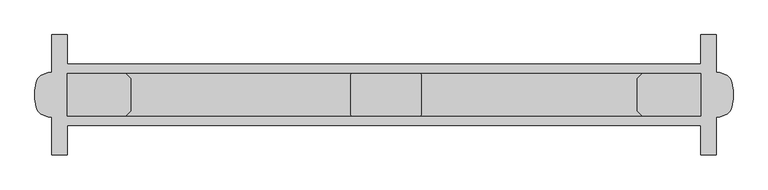
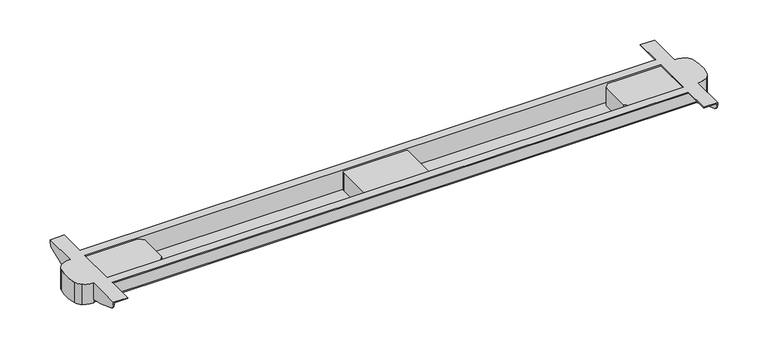
"""IFC4 building model written with IfcOpenShell, lengths in millimetres: furniture geometry."""

from ifc_helpers import new_model, si_unit, point, frame, frame_2d, origin, place, context, project, spatial, polyline, circle_curve, trimmed, segment, composite_curve, outline, extrude, source, transform, mapped, element, save
from ifc_brep_helpers import plane_surface, cylinder_surface, advanced_brep


def furniture_fb348213(model_context):
    return source(origin(), model_context, "Body", "SolidModel", [
        advanced_brep(
        [(85.0, -480.0, 637.0), (58.2763436, -471.7002018, 637.0), (46.6942682, -454.9980486, 637.0), (46.6942682, -395.0019514, 637.0), (58.2763436, -378.2997982, 637.0), (85.0, -370.0, 637.0), (85.0, -376.0, 637.0), (1715.0, -376.0, 637.0), (1715.0, -370.0, 637.0), (1741.7236564, -378.2997982, 637.0), (1753.3057318, -395.0019514, 637.0), (1753.3057318, -454.9980486, 637.0), (1741.7236564, -471.7002018, 637.0), (1715.0, -480.0, 637.0), (1715.0, -474.0, 637.0), (85.0, -474.0, 637.0), (85.0, -370.0, 643.0), (85.0, -480.0, 643.0), (85.0, -373.0, 647.0), (85.0, -477.0, 647.0), (85.0, -477.0, 640.0), (85.0, -373.0, 640.0), (58.2763436, -378.2997982, 695.0), (85.0, -370.0, 695.0), (85.0, -370.0, 692.0), (85.0, -370.0, 647.0), (46.6942682, -395.0019514, 695.0), (46.6942682, -454.9980486, 695.0), (58.2763436, -471.7002018, 695.0), (85.0, -480.0, 695.0), (84.9091785, -480.0, 647.0), (85.0, -480.0, 692.0), (1741.7236564, -471.7002018, 695.0), (1715.0, -480.0, 695.0), (1715.0, -480.0, 692.0), (1715.0, -480.0, 647.0), (1715.0000004, -480.0, 643.0), (1753.3057318, -454.9980486, 695.0), (1753.3057318, -395.0019514, 695.0), (1741.7236564, -378.2997982, 695.0), (1715.0, -370.0, 695.0), (1715.0, -370.0, 643.0), (1715.0908215, -370.0, 647.0), (1715.0, -370.0, 692.0), (1715.0, -477.0, 647.0), (1715.0, -373.0, 647.0), (1715.0, -373.0, 640.0), (1715.0, -477.0, 640.0), (123.0, -349.5, 695.0), (1677.0, -349.5, 695.0), (1677.0, -349.5, 693.0), (1713.0, -349.5, 693.0), (1713.0, -349.5, 692.0), (87.0, -349.5, 692.0), (87.0, -349.5, 693.0), (123.0, -349.5, 693.0), (1713.0, -373.0, 647.0), (1713.0, -373.0, 693.0), (1677.0, -373.0, 693.0), (1677.0, -373.0, 695.0), (123.0, -373.0, 695.0), (123.0, -373.0, 693.0), (87.0, -373.0, 693.0), (87.0, -373.0, 647.0), (87.0, -477.0, 647.0), (87.0, -477.0, 693.0), (123.0, -477.0, 693.0), (123.0, -477.0, 695.0), (1677.0, -477.0, 695.0), (1677.0, -477.0, 693.0), (1713.0, -477.0, 693.0), (1713.0, -477.0, 647.0), (1677.0, -500.5, 695.0), (123.0, -500.5, 695.0), (123.0, -500.5, 693.0), (87.0, -500.5, 693.0), (87.0, -500.5, 692.0), (1713.0, -500.5, 692.0), (1713.0, -500.5, 693.0), (1677.0, -500.5, 693.0), (87.0, -480.0, 692.0), (1713.0, -480.0, 692.0), (1713.0, -480.0, 647.0), (87.0, -480.0, 647.0), (87.0, -370.0, 647.0), (87.0, -370.0, 692.0), (1713.0, -370.0, 692.0), (1713.0, -370.0, 647.0), (87.0, -572.5, 693.0), (123.0, -572.5, 693.0), (123.0, -572.5, 695.0), (85.0, -572.5, 695.0), (85.0, -572.5, 690.0), (87.0, -572.5, 690.0), (1715.0, -572.5, 695.0), (1677.0, -572.5, 695.0), (1677.0, -572.5, 693.0), (1713.0, -572.5, 693.0), (1713.0, -572.5, 690.0), (1715.0, -572.5, 690.0), (85.0, -277.5, 695.0), (123.0, -277.5, 695.0), (123.0, -277.5, 693.0), (87.0, -277.5, 693.0), (87.0, -277.5, 690.0), (85.0, -277.5, 690.0), (1713.0, -277.5, 693.0), (1677.0, -277.5, 693.0), (1677.0, -277.5, 695.0), (1715.0, -277.5, 695.0), (1715.0, -277.5, 690.0), (1713.0, -277.5, 690.0), (85.0, -482.2931901, 647.0), (85.0, -511.9736338, 654.4919759), (85.0, -561.3994142, 672.1446048), (85.0, -288.6005858, 672.1446048), (85.0, -338.0263662, 654.4919759), (85.0, -367.7068099, 647.0), (87.0, -367.7068099, 647.0), (87.0, -482.2931901, 647.0), (87.0, -561.3994142, 672.1446048), (87.0, -511.9736338, 654.4919759), (87.0, -338.0263662, 654.4919759), (87.0, -288.6005858, 672.1446048), (1713.0, -482.2931901, 647.0), (1713.0, -511.9736338, 654.4919759), (1713.0, -561.3994142, 672.1446048), (1713.0, -288.6005858, 672.1446048), (1713.0, -338.0263662, 654.4919759), (1713.0, -367.7068099, 647.0), (1715.0, -367.7068099, 647.0), (1715.0, -482.2931901, 647.0), (1715.0, -338.0263662, 654.4919759), (1715.0, -288.6005858, 672.1446048), (1715.0, -561.3994142, 672.1446048), (1715.0, -511.9736338, 654.4919759)],
        [
            (0, 1, circle_curve(frame((84.9545892, -432.9739542, 637.0), z_axis=(0.0, 0.0, -1.0), x_axis=(1.0, 0.0, 0.0)), 47.0260677)),
            (1, 2, circle_curve(frame((74.5881069, -448.0219812, 637.0), z_axis=(0.0, 0.0, -1.0), x_axis=(1.0, 0.0, 0.0)), 28.7529434)),
            (2, 3, circle_curve(frame((166.6416094, -425.0, 637.0), z_axis=(0.0, 0.0, -1.0), x_axis=(1.0, 0.0, 0.0)), 123.6416094)),
            (3, 4, circle_curve(frame((74.5881069, -401.9780188, 637.0), z_axis=(0.0, 0.0, -1.0), x_axis=(1.0, 0.0, 0.0)), 28.7529434)),
            (4, 5, circle_curve(frame((84.9545892, -417.0260458, 637.0), z_axis=(0.0, 0.0, -1.0), x_axis=(1.0, 0.0, 0.0)), 47.0260677)),
            (5, 6),
            (6, 7),
            (7, 8),
            (8, 9, circle_curve(frame((1715.0454108, -417.0260458, 637.0), z_axis=(0.0, 0.0, -1.0), x_axis=(1.0, 0.0, 0.0)), 47.0260677)),
            (9, 10, circle_curve(frame((1725.4118931, -401.9780188, 637.0), z_axis=(0.0, 0.0, -1.0), x_axis=(1.0, 0.0, 0.0)), 28.7529434)),
            (10, 11, circle_curve(frame((1633.3583906, -425.0, 637.0), z_axis=(0.0, 0.0, -1.0), x_axis=(1.0, 0.0, 0.0)), 123.6416094)),
            (11, 12, circle_curve(frame((1725.4118931, -448.0219812, 637.0), z_axis=(0.0, 0.0, -1.0), x_axis=(1.0, 0.0, 0.0)), 28.7529434)),
            (12, 13, circle_curve(frame((1715.0454108, -432.9739542, 637.0), z_axis=(0.0, 0.0, -1.0), x_axis=(1.0, 0.0, 0.0)), 47.0260677)),
            (13, 14),
            (14, 15),
            (15, 0),
            (5, 16),
            (16, 6, circle_curve(frame((85.0, -376.0, 643.0), z_axis=(-1.0, 0.0, 0.0), x_axis=(0.0, 1.0, 0.0)), 6.0)),
            (15, 17, circle_curve(frame((85.0, -474.0, 643.0), z_axis=(-1.0, 0.0, 0.0), x_axis=(0.0, 1.0, 0.0)), 6.0)),
            (17, 0),
            (18, 19),
            (19, 20),
            (20, 21),
            (21, 18),
            (22, 23, circle_curve(frame((84.9545892, -417.0260458, 695.0), z_axis=(0.0, 0.0, -1.0), x_axis=(1.0, 0.0, 0.0)), 47.0260677)),
            (23, 24),
            (24, 25),
            (25, 16),
            (4, 22),
            (26, 22, circle_curve(frame((74.5881069, -401.9780188, 695.0), z_axis=(0.0, 0.0, -1.0), x_axis=(1.0, 0.0, 0.0)), 28.7529434)),
            (3, 26),
            (27, 26, circle_curve(frame((166.6416094, -425.0, 695.0), z_axis=(0.0, 0.0, -1.0), x_axis=(1.0, 0.0, 0.0)), 123.6416094)),
            (2, 27),
            (28, 27, circle_curve(frame((74.5881069, -448.0219812, 695.0), z_axis=(0.0, 0.0, -1.0), x_axis=(1.0, 0.0, 0.0)), 28.7529434)),
            (1, 28),
            (29, 28, circle_curve(frame((84.9545892, -432.9739542, 695.0), z_axis=(0.0, 0.0, -1.0), x_axis=(1.0, 0.0, 0.0)), 47.0260677)),
            (17, 30),
            (30, 31),
            (31, 29),
            (32, 33, circle_curve(frame((1715.0454108, -432.9739542, 695.0), z_axis=(0.0, 0.0, -1.0), x_axis=(1.0, 0.0, 0.0)), 47.0260677)),
            (33, 34),
            (34, 35),
            (35, 36),
            (36, 13),
            (12, 32),
            (37, 32, circle_curve(frame((1725.4118931, -448.0219812, 695.0), z_axis=(0.0, 0.0, -1.0), x_axis=(1.0, 0.0, 0.0)), 28.7529434)),
            (11, 37),
            (38, 37, circle_curve(frame((1633.3583906, -425.0, 695.0), z_axis=(0.0, 0.0, -1.0), x_axis=(1.0, 0.0, 0.0)), 123.6416094)),
            (10, 38),
            (39, 38, circle_curve(frame((1725.4118931, -401.9780188, 695.0), z_axis=(0.0, 0.0, -1.0), x_axis=(1.0, 0.0, 0.0)), 28.7529434)),
            (9, 39),
            (40, 39, circle_curve(frame((1715.0454108, -417.0260458, 695.0), z_axis=(0.0, 0.0, -1.0), x_axis=(1.0, 0.0, 0.0)), 47.0260677)),
            (8, 41),
            (41, 42),
            (42, 43),
            (43, 40),
            (7, 41, circle_curve(frame((1715.0, -376.0, 643.0), z_axis=(1.0, 0.0, 0.0), x_axis=(0.0, 1.0, 0.0)), 6.0)),
            (36, 14, circle_curve(frame((1715.0, -474.0, 643.0), z_axis=(1.0, 0.0, 0.0), x_axis=(0.0, 1.0, 0.0)), 6.0)),
            (44, 45),
            (45, 46),
            (46, 47),
            (47, 44),
            (48, 49),
            (49, 50),
            (50, 51),
            (51, 52),
            (52, 53),
            (53, 54),
            (54, 55),
            (55, 48),
            (21, 46),
            (45, 56),
            (56, 57),
            (57, 58),
            (58, 59),
            (59, 60),
            (60, 61),
            (61, 62),
            (62, 63),
            (63, 18),
            (20, 47),
            (19, 64),
            (64, 65),
            (65, 66),
            (66, 67),
            (67, 68),
            (68, 69),
            (69, 70),
            (70, 71),
            (71, 44),
            (72, 73),
            (73, 74),
            (74, 75),
            (75, 76),
            (76, 77),
            (77, 78),
            (78, 79),
            (79, 72),
            (76, 80),
            (80, 81),
            (81, 77),
            (17, 36),
            (35, 82),
            (82, 81),
            (80, 83),
            (83, 30),
            (16, 41),
            (25, 84),
            (84, 85),
            (85, 86),
            (86, 87),
            (87, 42),
            (52, 86),
            (85, 53),
            (88, 89),
            (89, 90),
            (90, 91),
            (91, 92),
            (92, 93),
            (93, 88),
            (94, 95),
            (95, 96),
            (96, 97),
            (97, 98),
            (98, 99),
            (99, 94),
            (100, 101),
            (101, 102),
            (102, 103),
            (103, 104),
            (104, 105),
            (105, 100),
            (106, 107),
            (107, 108),
            (108, 109),
            (109, 110),
            (110, 111),
            (111, 106),
            (91, 29),
            (30, 112),
            (112, 113),
            (113, 114, circle_curve(frame((85.0, -444.8144565, 920.5518532), z_axis=(-1.0, 0.0, 0.0), x_axis=(0.0, 1.0, 0.0)), 274.4051993)),
            (114, 92, circle_curve(frame((85.0, -552.5894227, 690.0), z_axis=(-1.0, 0.0, 0.0), x_axis=(0.0, 1.0, 0.0)), 19.9105773)),
            (23, 100),
            (105, 115, circle_curve(frame((85.0, -297.4105773, 690.0), z_axis=(-1.0, 0.0, 0.0), x_axis=(0.0, 1.0, 0.0)), 19.9105773)),
            (115, 116, circle_curve(frame((85.0, -405.1855435, 920.5518532), z_axis=(-1.0, 0.0, 0.0), x_axis=(0.0, 1.0, 0.0)), 274.4051993)),
            (116, 117),
            (117, 25),
            (63, 64),
            (117, 118),
            (118, 84),
            (119, 112),
            (83, 119),
            (93, 120, circle_curve(frame((87.0, -552.5894227, 690.0), z_axis=(1.0, 0.0, 0.0), x_axis=(0.0, 1.0, 0.0)), 19.9105773)),
            (120, 121, circle_curve(frame((87.0, -444.8144565, 920.5518532), z_axis=(1.0, 0.0, 0.0), x_axis=(0.0, 1.0, 0.0)), 274.4051993)),
            (121, 119),
            (75, 88),
            (103, 54),
            (118, 122),
            (122, 123, circle_curve(frame((87.0, -405.1855435, 920.5518532), z_axis=(1.0, 0.0, 0.0), x_axis=(0.0, 1.0, 0.0)), 274.4051993)),
            (123, 104, circle_curve(frame((87.0, -297.4105773, 690.0), z_axis=(1.0, 0.0, 0.0), x_axis=(0.0, 1.0, 0.0)), 19.9105773)),
            (62, 65),
            (74, 89),
            (102, 55),
            (61, 66),
            (73, 90),
            (101, 48),
            (60, 67),
            (72, 95),
            (94, 33),
            (40, 109),
            (108, 49),
            (59, 68),
            (79, 96),
            (107, 50),
            (58, 69),
            (78, 97),
            (106, 51),
            (57, 70),
            (82, 124),
            (124, 125),
            (125, 126, circle_curve(frame((1713.0, -444.8144565, 920.5518532), z_axis=(-1.0, 0.0, 0.0), x_axis=(0.0, 1.0, 0.0)), 274.4051993)),
            (126, 98, circle_curve(frame((1713.0, -552.5894227, 690.0), z_axis=(-1.0, 0.0, 0.0), x_axis=(0.0, 1.0, 0.0)), 19.9105773)),
            (111, 127, circle_curve(frame((1713.0, -297.4105773, 690.0), z_axis=(-1.0, 0.0, 0.0), x_axis=(0.0, 1.0, 0.0)), 19.9105773)),
            (127, 128, circle_curve(frame((1713.0, -405.1855435, 920.5518532), z_axis=(-1.0, 0.0, 0.0), x_axis=(0.0, 1.0, 0.0)), 274.4051993)),
            (128, 129),
            (129, 87),
            (56, 71),
            (129, 130),
            (130, 42),
            (131, 124),
            (35, 131),
            (130, 132),
            (132, 133, circle_curve(frame((1715.0, -405.1855435, 920.5518532), z_axis=(1.0, 0.0, 0.0), x_axis=(0.0, 1.0, 0.0)), 274.4051993)),
            (133, 110, circle_curve(frame((1715.0, -297.4105773, 690.0), z_axis=(1.0, 0.0, 0.0), x_axis=(0.0, 1.0, 0.0)), 19.9105773)),
            (99, 134, circle_curve(frame((1715.0, -552.5894227, 690.0), z_axis=(1.0, 0.0, 0.0), x_axis=(0.0, 1.0, 0.0)), 19.9105773)),
            (134, 135, circle_curve(frame((1715.0, -444.8144565, 920.5518532), z_axis=(1.0, 0.0, 0.0), x_axis=(0.0, 1.0, 0.0)), 274.4051993)),
            (135, 131),
            (115, 123),
            (122, 116),
            (127, 133),
            (132, 128),
            (121, 113),
            (135, 125),
            (120, 114),
            (134, 126),
        ],
        [
            plane_surface(frame((85.0, -370.0, 637.0), z_axis=(0.0, 0.0, -1.0), x_axis=(0.0, -1.0, 0.0))),
            plane_surface(frame((85.0, -480.0, 695.0), z_axis=(1.0, 0.0, 0.0), x_axis=(0.0, 0.0, -1.0))),
            cylinder_surface(frame((84.9545892, -417.0260458, 637.0), z_axis=(0.0, 0.0, 1.0), x_axis=(1.0, 0.0, 0.0)), 47.0260677),
            cylinder_surface(frame((74.5881069, -401.9780188, 637.0), z_axis=(0.0, 0.0, 1.0), x_axis=(1.0, 0.0, 0.0)), 28.7529434),
            cylinder_surface(frame((166.6416094, -425.0, 637.0), z_axis=(0.0, 0.0, 1.0), x_axis=(1.0, 0.0, 0.0)), 123.6416094),
            cylinder_surface(frame((74.5881069, -448.0219812, 637.0), z_axis=(0.0, 0.0, 1.0), x_axis=(1.0, 0.0, 0.0)), 28.7529434),
            cylinder_surface(frame((84.9545892, -432.9739542, 637.0), z_axis=(0.0, 0.0, 1.0), x_axis=(1.0, 0.0, 0.0)), 47.0260677),
            cylinder_surface(frame((1715.0454108, -432.9739542, 0.0), z_axis=(0.0, 0.0, 1.0), x_axis=(1.0, 0.0, 0.0)), 47.0260677),
            cylinder_surface(frame((1725.4118931, -448.0219812, 0.0), z_axis=(0.0, 0.0, 1.0), x_axis=(1.0, 0.0, 0.0)), 28.7529434),
            cylinder_surface(frame((1633.3583906, -425.0, 0.0), z_axis=(0.0, 0.0, 1.0), x_axis=(1.0, 0.0, 0.0)), 123.6416094),
            cylinder_surface(frame((1725.4118931, -401.9780188, 0.0), z_axis=(0.0, 0.0, 1.0), x_axis=(1.0, 0.0, 0.0)), 28.7529434),
            cylinder_surface(frame((1715.0454108, -417.0260458, 0.0), z_axis=(0.0, 0.0, 1.0), x_axis=(1.0, 0.0, 0.0)), 47.0260677),
            plane_surface(frame((1715.0, -370.0, 695.0), z_axis=(-1.0, 0.0, 0.0), x_axis=(0.0, 0.0, -1.0))),
            plane_surface(frame((1715.0, -349.5, 692.0), z_axis=(0.0, 1.0, 0.0), x_axis=(-1.0, 0.0, 0.0))),
            plane_surface(frame((1715.0, -373.0, 695.0), z_axis=(0.0, -1.0, 0.0), x_axis=(-1.0, 0.0, 0.0))),
            plane_surface(frame((1715.0, -373.0, 640.0), z_axis=(0.0, 0.0, 1.0), x_axis=(-1.0, 0.0, 0.0))),
            plane_surface(frame((1715.0, -477.0, 640.0), z_axis=(0.0, 1.0, 0.0), x_axis=(-1.0, 0.0, 0.0))),
            plane_surface(frame((1715.0, -500.5, 695.0), z_axis=(0.0, -1.0, 0.0), x_axis=(-1.0, 0.0, 0.0))),
            plane_surface(frame((1715.0, -500.5, 692.0), z_axis=(0.0, 0.0, -1.0), x_axis=(-1.0, 0.0, 0.0))),
            plane_surface(frame((1715.0, -480.0, 692.0), z_axis=(0.0, -1.0, 0.0), x_axis=(-1.0, 0.0, 0.0))),
            cylinder_surface(frame((85.0, -474.0, 643.0), z_axis=(1.0, 0.0, 0.0), x_axis=(0.0, 1.0, 0.0)), 6.0),
            cylinder_surface(frame((85.0, -376.0, 643.0), z_axis=(1.0, 0.0, 0.0), x_axis=(0.0, 1.0, 0.0)), 6.0),
            plane_surface(frame((1715.0, -370.0, 643.0), z_axis=(0.0, 1.0, 0.0), x_axis=(-1.0, 0.0, 0.0))),
            plane_surface(frame((1715.0, -370.0, 692.0), z_axis=(0.0, 0.0, -1.0), x_axis=(-1.0, 0.0, 0.0))),
            plane_surface(frame((85.0, -572.5, 695.0), z_axis=(0.0, -1.0, 0.0), x_axis=(0.0, 0.0, -1.0))),
            plane_surface(frame((85.0, -277.5, 695.0), z_axis=(0.0, 1.0, 0.0), x_axis=(0.0, 0.0, 1.0))),
            plane_surface(frame((85.0, -572.5, 695.0), z_axis=(-1.0, 0.0, 0.0), x_axis=(0.0, 1.0, 0.0))),
            plane_surface(frame((85.0, -572.5, 647.0), z_axis=(0.0, 0.0, -1.0), x_axis=(0.0, 1.0, 0.0))),
            plane_surface(frame((87.0, -572.5, 647.0), z_axis=(1.0, 0.0, 0.0), x_axis=(0.0, 1.0, 0.0))),
            plane_surface(frame((87.0, -572.5, 693.0), z_axis=(0.0, 0.0, -1.0), x_axis=(0.0, 1.0, 0.0))),
            plane_surface(frame((123.0, -572.5, 693.0), z_axis=(1.0, 0.0, 0.0), x_axis=(0.0, 1.0, 0.0))),
            plane_surface(frame((123.0, -572.5, 695.0), z_axis=(0.0, 0.0, 1.0), x_axis=(0.0, 1.0, 0.0))),
            plane_surface(frame((1677.0, -572.5, 695.0), z_axis=(-1.0, 0.0, 0.0), x_axis=(0.0, 1.0, 0.0))),
            plane_surface(frame((1677.0, -572.5, 693.0), z_axis=(0.0, 0.0, -1.0), x_axis=(0.0, 1.0, 0.0))),
            plane_surface(frame((1713.0, -572.5, 693.0), z_axis=(-1.0, 0.0, 0.0), x_axis=(0.0, 1.0, 0.0))),
            plane_surface(frame((1713.0, -572.5, 647.0), z_axis=(0.0, 0.0, -1.0), x_axis=(0.0, 1.0, 0.0))),
            plane_surface(frame((1715.0, -572.5, 647.0), z_axis=(1.0, 0.0, 0.0), x_axis=(0.0, 1.0, 0.0))),
            cylinder_surface(frame((0.0, -405.1855435, 920.5518532), z_axis=(-1.0, 0.0, 0.0), x_axis=(0.0, 1.0, 0.0)), 274.4051993),
            plane_surface(frame((1800.0, -338.0263662, 654.4919759), z_axis=(0.0, 0.24474455091916344, -0.9695875952152941), x_axis=(-1.0, 0.0, 0.0))),
            plane_surface(frame((1800.0, -480.0, 646.42115), z_axis=(0.0, -0.24474455091824687, -0.9695875952155255), x_axis=(-1.0, 0.0, 0.0))),
            cylinder_surface(frame((0.0, -444.8144565, 920.5518532), z_axis=(-1.0, 0.0, 0.0), x_axis=(0.0, 1.0, 0.0)), 274.4051993),
            cylinder_surface(frame((0.0, -297.4105773, 690.0), z_axis=(-1.0, 0.0, 0.0), x_axis=(0.0, 1.0, 0.0)), 19.9105773),
            cylinder_surface(frame((0.0, -552.5894227, 690.0), z_axis=(-1.0, 0.0, 0.0), x_axis=(0.0, 1.0, 0.0)), 19.9105773),
        ],
        [
            (0, [[1, 2, 3, 4, 5, 6, 7, 8, 9, 10, 11, 12, 13, 14, 15, 16]]),
            (1, [[-6, 17, 18]]),
            (1, [[-16, 19, 20]]),
            (1, [[21, 22, 23, 24]]),
            (2, [[25, 26, 27, 28, -17, -5, 29]]),
            (3, [[30, -29, -4, 31]]),
            (4, [[32, -31, -3, 33]]),
            (5, [[34, -33, -2, 35]]),
            (6, [[36, -35, -1, -20, 37, 38, 39]]),
            (7, [[40, 41, 42, 43, 44, -13, 45]]),
            (8, [[46, -45, -12, 47]]),
            (9, [[48, -47, -11, 49]]),
            (10, [[50, -49, -10, 51]]),
            (11, [[52, -51, -9, 53, 54, 55, 56]]),
            (12, [[-8, 57, -53]]),
            (12, [[-14, -44, 58]]),
            (12, [[59, 60, 61, 62]]),
            (13, [[63, 64, 65, 66, 67, 68, 69, 70]]),
            (14, [[71, -60, 72, 73, 74, 75, 76, 77, 78, 79, 80, -24]]),
            (15, [[-71, -23, 81, -61]]),
            (16, [[-81, -22, 82, 83, 84, 85, 86, 87, 88, 89, 90, -62]]),
            (17, [[91, 92, 93, 94, 95, 96, 97, 98]]),
            (18, [[-95, 99, 100, 101]]),
            (19, [[102, -43, 103, 104, -100, 105, 106, -37]]),
            (20, [[-102, -19, -15, -58]]),
            (21, [[-7, -18, 107, -57]]),
            (22, [[-107, -28, 108, 109, 110, 111, 112, -54]]),
            (23, [[-67, 113, -110, 114]]),
            (24, [[115, 116, 117, 118, 119, 120]]),
            (24, [[121, 122, 123, 124, 125, 126]]),
            (25, [[127, 128, 129, 130, 131, 132]]),
            (25, [[133, 134, 135, 136, 137, 138]]),
            (26, [[-118, 139, -39, -38, 140, 141, 142, 143]]),
            (26, [[144, -132, 145, 146, 147, 148, -27, -26]]),
            (27, [[-21, -80, 149, -82]]),
            (27, [[150, 151, -108, -148]]),
            (27, [[152, -140, -106, 153]]),
            (28, [[-120, 154, 155, 156, -153, -105, -99, -94, 157]]),
            (28, [[-130, 158, -68, -114, -109, -151, 159, 160, 161]]),
            (28, [[-149, -79, 162, -83]]),
            (29, [[-115, -157, -93, 163]]),
            (29, [[-129, 164, -69, -158]]),
            (29, [[-162, -78, 165, -84]]),
            (30, [[-116, -163, -92, 166]]),
            (30, [[-128, 167, -70, -164]]),
            (30, [[-165, -77, 168, -85]]),
            (31, [[-117, -166, -91, 169, -121, 170, -40, -46, -48, -50, -52, 171, -135, 172, -63, -167, -127, -144, -25, -30, -32, -34, -36, -139], [173, -86, -168, -76]]),
            (32, [[-122, -169, -98, 174]]),
            (32, [[-134, 175, -64, -172]]),
            (32, [[-173, -75, 176, -87]]),
            (33, [[-123, -174, -97, 177]]),
            (33, [[-133, 178, -65, -175]]),
            (33, [[-176, -74, 179, -88]]),
            (34, [[-124, -177, -96, -101, -104, 180, 181, 182, 183]]),
            (34, [[-138, 184, 185, 186, 187, -111, -113, -66, -178]]),
            (34, [[-179, -73, 188, -89]]),
            (35, [[-188, -72, -59, -90]]),
            (35, [[189, 190, -112, -187]]),
            (35, [[191, -180, -103, 192]]),
            (36, [[-136, -171, -56, -55, -190, 193, 194, 195]]),
            (36, [[-170, -126, 196, 197, 198, -192, -42, -41]]),
            (37, [[199, -160, 200, -146]]),
            (37, [[201, -194, 202, -185]]),
            (38, [[-200, -159, -150, -147]]),
            (38, [[-202, -193, -189, -186]]),
            (39, [[203, -141, -152, -156]]),
            (39, [[204, -181, -191, -198]]),
            (40, [[-203, -155, 205, -142]]),
            (40, [[-204, -197, 206, -182]]),
            (41, [[-199, -145, -131, -161]]),
            (41, [[-201, -184, -137, -195]]),
            (42, [[-205, -154, -119, -143]]),
            (42, [[-206, -196, -125, -183]]),
        ],
    ),
        extrude(outline(polyline([(265.9941389, -373.0), (278.0, -385.0058611), (278.0, -464.9941389), (265.9941389, -477.0), (123.0, -477.0), (123.0, -373.0), (265.9941389, -373.0)])), frame((0.0, 0.0, 640.0), z_axis=(0.0, 0.0, 1.0), x_axis=(1.0, 0.0, 0.0)), (0.0, 0.0, 1.0), 52.0),
        extrude(outline(polyline([(1677.0, -373.0), (1677.0, -477.0), (1534.0058611, -477.0), (1522.0, -464.9941389), (1522.0, -385.0058611), (1534.0058611, -373.0), (1677.0, -373.0)])), frame((0.0, 0.0, 640.0), z_axis=(0.0, 0.0, 1.0), x_axis=(1.0, 0.0, 0.0)), (0.0, 0.0, 1.0), 52.0),
        extrude(outline(composite_curve([segment(trimmed(circle_curve(frame_2d((987.0, -378.0)), 5.0), [point((987.0, -373.0))], [point((992.0, -378.0))], False, "CARTESIAN"), True, "CONTINUOUS"), segment(polyline([(992.0, -378.0), (992.0, -472.0)]), True, "CONTINUOUS"), segment(trimmed(circle_curve(frame_2d((987.0, -472.0)), 5.0), [point((992.0, -472.0))], [point((987.0, -477.0))], False, "CARTESIAN"), True, "CONTINUOUS"), segment(polyline([(987.0, -477.0), (823.0, -477.0)]), True, "CONTINUOUS"), segment(trimmed(circle_curve(frame_2d((823.0, -472.0)), 5.0), [point((823.0, -477.0))], [point((818.0, -472.0))], False, "CARTESIAN"), True, "CONTINUOUS"), segment(polyline([(818.0, -472.0), (818.0, -378.0)]), True, "CONTINUOUS"), segment(trimmed(circle_curve(frame_2d((823.0, -378.0)), 5.0), [point((818.0, -378.0))], [point((823.0, -373.0))], False, "CARTESIAN"), True, "CONTINUOUS"), segment(polyline([(823.0, -373.0), (987.0, -373.0)]), True, "CONTINUOUS")], self_intersect=False)), frame((0.0, 0.0, 640.0), z_axis=(0.0, 0.0, 1.0), x_axis=(1.0, 0.0, 0.0)), (0.0, 0.0, 1.0), 52.0),
    ])


if __name__ == "__main__":
    model = new_model("IFC4")
    model_context = context("Model", 3, world=origin())
    ifc_project = project(units=[si_unit("LENGTHUNIT", "METRE", prefix="MILLI")], contexts=[model_context])
    site = spatial("IfcSite", under=ifc_project)
    building = spatial("IfcBuilding", under=site)
    placement = place(None, origin())
    furniture_shape = furniture_fb348213(model_context)
    element("IfcFurniture", 1, at=placement, inside=building, context=model_context, shape_type="MappedRepresentation", body=[
        mapped(furniture_shape, transform((0.0, 0.0, 0.0), x_axis=(1.0, 0.0, 0.0), y_axis=(0.0, 1.0, 0.0), z_axis=(0.0, 0.0, 1.0))),
    ])
    save(model, "model.ifc")
